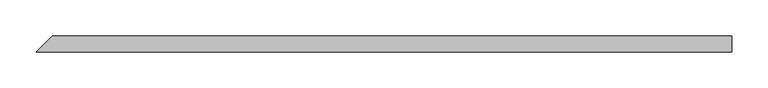
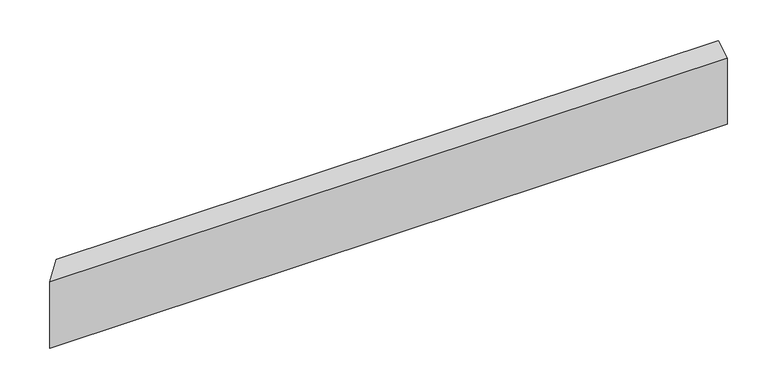
"""IFC4 building model written with IfcOpenShell, lengths in millimetres: beam geometry."""

from ifc_helpers import new_model, si_unit, origin, place, context, project, spatial, faceted_brep, source, transform, mapped, element, save


def beam_8ac539a4(model_context):
    return source(origin(), model_context, "Body", "Brep", [
        faceted_brep([(474.6254921, -11.0, 55.8), (-485.6254921, -11.0, 55.8), (-485.6254921, -11.0, -43.0982941), (474.6254921, -11.0, -43.0982941), (474.6254921, 11.0, 68.5017059), (474.6254921, 11.0, -43.0982941), (-463.6254921, 11.0, -43.0982941), (-463.6254921, 11.0, 68.5017059)], [[[0, 1, 2, 3]], [[4, 5, 6, 7]], [[5, 4, 0, 3]], [[6, 5, 3, 2]], [[7, 6, 2, 1]], [[4, 7, 1, 0]]]),
    ])


if __name__ == "__main__":
    model = new_model("IFC4")
    model_context = context("Model", 3, world=origin())
    ifc_project = project(units=[si_unit("LENGTHUNIT", "METRE", prefix="MILLI")], contexts=[model_context])
    site = spatial("IfcSite", under=ifc_project)
    building = spatial("IfcBuilding", under=site)
    placement = place(None, origin())
    beam_shape = beam_8ac539a4(model_context)
    element("IfcBeam", 1, at=placement, inside=building, context=model_context, shape_type="MappedRepresentation", body=[
        mapped(beam_shape, transform((0.0, 0.0, 0.0), x_axis=(1.0, 0.0, 0.0), y_axis=(0.0, 1.0, 0.0), z_axis=(0.0, 0.0, 1.0))),
    ])
    save(model, "model.ifc")
